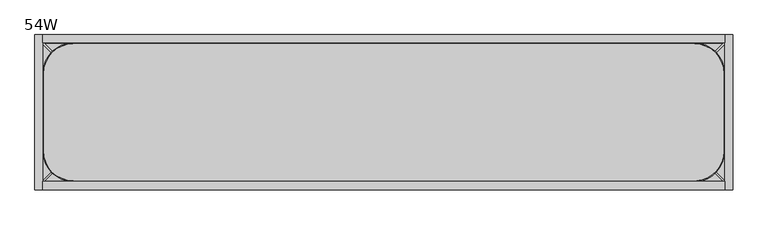
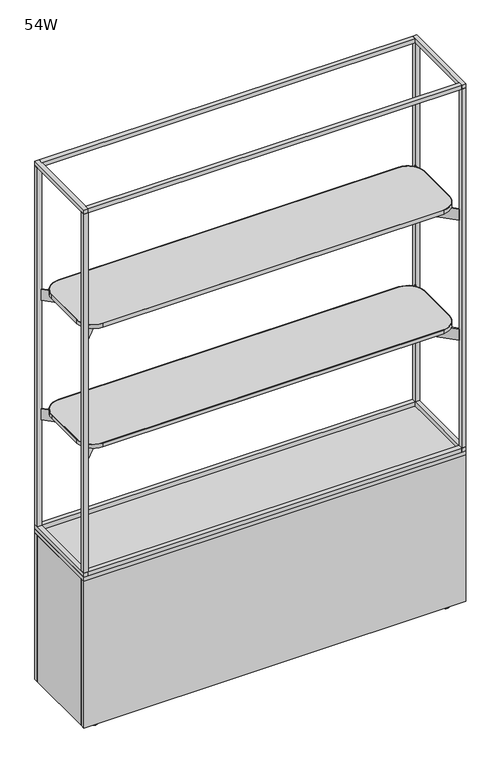
"""IFC4 building model written with IfcOpenShell, lengths in millimetres: furniture geometry, 54W."""

from ifc_helpers import new_model, si_unit, point, frame, frame_2d, origin, place, context, project, spatial, polyline, circle_curve, trimmed, segment, composite_curve, outline, extrude, source, transform, mapped, element, save
from ifc_brep_helpers import plane_surface, cylinder_surface, revolved_surface, advanced_brep


def furniture_54w_8bed0996(model_context):
    return source(origin(), model_context, "Body", "SolidModel", [
        extrude(outline(composite_curve([segment(trimmed(circle_curve(frame_2d((75.8254378, -75.8242865)), 59.944), [point((15.8814378, -75.8242865))], [point((75.8254378, -15.8802865))], False, "CARTESIAN"), True, "CONTINUOUS"), segment(polyline([(75.8254378, -15.8802865), (1295.7745622, -15.8802865)]), True, "CONTINUOUS"), segment(trimmed(circle_curve(frame_2d((1295.7745622, -75.8242865)), 59.944), [point((1295.7745622, -15.8802865))], [point((1355.7185622, -75.8242865))], False, "CARTESIAN"), True, "CONTINUOUS"), segment(polyline([(1355.7185622, -75.8242865), (1355.7185622, -229.1877994)]), True, "CONTINUOUS"), segment(trimmed(circle_curve(frame_2d((1295.7745622, -229.1877994)), 59.944), [point((1355.7185622, -229.1877994))], [point((1300.8138969, -288.9196021))], False, "CARTESIAN"), True, "CONTINUOUS"), segment(polyline([(1300.8138969, -288.9196021), (75.9054892, -288.9196021)]), True, "CONTINUOUS"), segment(trimmed(circle_curve(frame_2d((75.9054892, -228.8955507)), 60.0240513), [point((75.9054892, -288.9196021))], [point((15.8814378, -228.8955507))], False, "CARTESIAN"), True, "CONTINUOUS"), segment(polyline([(15.8814378, -228.8955507), (15.8814378, -75.8242865)]), True, "CONTINUOUS")], self_intersect=False), holes=[composite_curve([segment(polyline([(1295.8050916, -17.3811918), (75.7950053, -17.3811918)]), True, "CONTINUOUS"), segment(trimmed(circle_curve(frame_2d((75.7950053, -75.8011918)), 58.42), [point((75.7950053, -17.3811918))], [point((17.3750053, -75.8011918))], True, "CARTESIAN"), True, "CONTINUOUS"), segment(polyline([(17.3750053, -75.8011918), (17.3750053, -228.9211866)]), True, "CONTINUOUS"), segment(trimmed(circle_curve(frame_2d((75.8750567, -228.9211866)), 58.5000513), [point((17.3750053, -228.9211866))], [point((75.8827762, -287.4212374))], True, "CARTESIAN"), True, "CONTINUOUS"), segment(polyline([(75.8827762, -287.4212374), (1300.4701856, -287.4212374)]), True, "CONTINUOUS"), segment(trimmed(circle_curve(frame_2d((1295.8050916, -229.1877994)), 58.42), [point((1300.4701856, -287.4212374))], [point((1354.2250916, -229.1877994))], True, "CARTESIAN"), True, "CONTINUOUS"), segment(polyline([(1354.2250916, -229.1877994), (1354.2250916, -75.8011918)]), True, "CONTINUOUS"), segment(trimmed(circle_curve(frame_2d((1295.8050916, -75.8011918)), 58.42), [point((1354.2250916, -75.8011918))], [point((1295.8050916, -17.3811918))], True, "CARTESIAN"), True, "CONTINUOUS")], self_intersect=False)]), frame((0.0, 0.0, 1504.6380035), z_axis=(0.0, 0.0, 1.0), x_axis=(1.0, 0.0, 0.0)), (0.0, 0.0, 1.0), 13.8177612),
        extrude(outline(polyline([(-161.9665934, 1498.3383551), (-143.317536, 1498.3383551), (-143.317536, 1495.9705532), (-144.4220029, 1494.8660863), (-160.8082501, 1494.8660863), (-161.9665934, 1496.0244297), (-161.9665934, 1498.3383551)])), frame((185.6954716, 0.0, 0.0), z_axis=(1.0, 0.0, 0.0), x_axis=(0.0, 1.0, 0.0)), (0.0, 0.0, 1.0), 1000.2090567),
        extrude(outline(polyline([(-177.0817057, 1504.2068283), (-128.2024237, 1504.2068283), (-128.2024237, 1500.5035098), (-135.8974528, 1496.5826966), (-143.317536, 1494.5944913), (-143.317536, 1498.3383551), (-161.9665934, 1498.3383551), (-161.9665934, 1494.5944913), (-169.3866765, 1496.5826966), (-177.0817057, 1500.5035098), (-177.0817057, 1504.2068283)])), frame((185.6954716, 0.0, 0.0), z_axis=(1.0, 0.0, 0.0), x_axis=(0.0, 1.0, 0.0)), (0.0, 0.0, 1.0), 1000.2090567),
        extrude(outline(polyline([(-161.9665934, 1044.3133551), (-143.317536, 1044.3133551), (-143.317536, 1041.9455532), (-144.4220029, 1040.8410863), (-160.8082501, 1040.8410863), (-161.9665934, 1041.9994297), (-161.9665934, 1044.3133551)])), frame((185.6954716, 0.0, 0.0), z_axis=(1.0, 0.0, 0.0), x_axis=(0.0, 1.0, 0.0)), (0.0, 0.0, 1.0), 1000.2090567),
        extrude(outline(polyline([(-177.0817057, 1050.1818283), (-128.2024237, 1050.1818283), (-128.2024237, 1046.4785098), (-135.8974528, 1042.5576966), (-143.317536, 1040.5694913), (-143.317536, 1044.3133551), (-161.9665934, 1044.3133551), (-161.9665934, 1040.5694913), (-169.3866765, 1042.5576966), (-177.0817057, 1046.4785098), (-177.0817057, 1050.1818283)])), frame((185.6954716, 0.0, 0.0), z_axis=(1.0, 0.0, 0.0), x_axis=(0.0, 1.0, 0.0)), (0.0, 0.0, 1.0), 1000.2090567),
        extrude(outline(composite_curve([segment(trimmed(circle_curve(frame_2d((1295.8050916, -75.8011918)), 58.42), [point((1295.8050916, -17.3811918))], [point((1354.2250916, -75.8011918))], False, "CARTESIAN"), True, "CONTINUOUS"), segment(polyline([(1354.2250916, -75.8011918), (1354.2250916, -229.1877994)]), True, "CONTINUOUS"), segment(trimmed(circle_curve(frame_2d((1295.8050916, -229.1877994)), 58.42), [point((1354.2250916, -229.1877994))], [point((1300.4701856, -287.4212374))], False, "CARTESIAN"), True, "CONTINUOUS"), segment(polyline([(1300.4701856, -287.4212374), (75.8827762, -287.4212374)]), True, "CONTINUOUS"), segment(trimmed(circle_curve(frame_2d((75.8750567, -228.9211866)), 58.5000513), [point((75.8827762, -287.4212374))], [point((17.3750053, -228.9211866))], False, "CARTESIAN"), True, "CONTINUOUS"), segment(polyline([(17.3750053, -228.9211866), (17.3750053, -75.8011918)]), True, "CONTINUOUS"), segment(trimmed(circle_curve(frame_2d((75.7950053, -75.8011918)), 58.42), [point((17.3750053, -75.8011918))], [point((75.7950053, -17.3811918))], False, "CARTESIAN"), True, "CONTINUOUS"), segment(polyline([(75.7950053, -17.3811918), (1295.8050916, -17.3811918)]), True, "CONTINUOUS")], self_intersect=False)), frame((0.0, 0.0, 1504.6380035), z_axis=(0.0, 0.0, 1.0), x_axis=(1.0, 0.0, 0.0)), (0.0, 0.0, 1.0), 13.8177612),
        extrude(outline(composite_curve([segment(trimmed(circle_curve(frame_2d((1295.7745622, -75.8242865)), 59.944), [point((1295.7745622, -15.8802865))], [point((1355.7185622, -75.8242865))], False, "CARTESIAN"), True, "CONTINUOUS"), segment(polyline([(1355.7185622, -75.8242865), (1355.7185622, -229.1877994)]), True, "CONTINUOUS"), segment(trimmed(circle_curve(frame_2d((1295.7745622, -229.1877994)), 59.944), [point((1355.7185622, -229.1877994))], [point((1300.8138969, -288.9196021))], False, "CARTESIAN"), True, "CONTINUOUS"), segment(polyline([(1300.8138969, -288.9196021), (75.9054892, -288.9196021)]), True, "CONTINUOUS"), segment(trimmed(circle_curve(frame_2d((75.9054892, -228.8955507)), 60.0240513), [point((75.9054892, -288.9196021))], [point((15.8814378, -228.8955507))], False, "CARTESIAN"), True, "CONTINUOUS"), segment(polyline([(15.8814378, -228.8955507), (15.8814378, -75.8242865)]), True, "CONTINUOUS"), segment(trimmed(circle_curve(frame_2d((75.8254378, -75.8242865)), 59.944), [point((15.8814378, -75.8242865))], [point((75.8254378, -15.8802865))], False, "CARTESIAN"), True, "CONTINUOUS"), segment(polyline([(75.8254378, -15.8802865), (1295.7745622, -15.8802865)]), True, "CONTINUOUS")], self_intersect=False), holes=[composite_curve([segment(trimmed(circle_curve(frame_2d((75.7950053, -75.8011918)), 58.42), [point((75.7950053, -17.3811918))], [point((17.3750053, -75.8011918))], True, "CARTESIAN"), True, "CONTINUOUS"), segment(polyline([(17.3750053, -75.8011918), (17.3750053, -228.9211866)]), True, "CONTINUOUS"), segment(trimmed(circle_curve(frame_2d((75.8750567, -228.9211866)), 58.5000513), [point((17.3750053, -228.9211866))], [point((75.8827762, -287.4212374))], True, "CARTESIAN"), True, "CONTINUOUS"), segment(polyline([(75.8827762, -287.4212374), (1300.4701856, -287.4212374)]), True, "CONTINUOUS"), segment(trimmed(circle_curve(frame_2d((1295.8050916, -229.1877994)), 58.42), [point((1300.4701856, -287.4212374))], [point((1354.2250916, -229.1877994))], True, "CARTESIAN"), True, "CONTINUOUS"), segment(polyline([(1354.2250916, -229.1877994), (1354.2250916, -75.8011918)]), True, "CONTINUOUS"), segment(trimmed(circle_curve(frame_2d((1295.8050916, -75.8011918)), 58.42), [point((1354.2250916, -75.8011918))], [point((1295.8050916, -17.3811918))], True, "CARTESIAN"), True, "CONTINUOUS"), segment(polyline([(1295.8050916, -17.3811918), (75.7950053, -17.3811918)]), True, "CONTINUOUS")], self_intersect=False)]), frame((0.0, 0.0, 1050.6130035), z_axis=(0.0, 0.0, 1.0), x_axis=(1.0, 0.0, 0.0)), (0.0, 0.0, 1.0), 13.8177612),
        extrude(outline(composite_curve([segment(trimmed(circle_curve(frame_2d((1295.8050916, -75.8011918)), 58.42), [point((1295.8050916, -17.3811918))], [point((1354.2250916, -75.8011918))], False, "CARTESIAN"), True, "CONTINUOUS"), segment(polyline([(1354.2250916, -75.8011918), (1354.2250916, -229.1877994)]), True, "CONTINUOUS"), segment(trimmed(circle_curve(frame_2d((1295.8050916, -229.1877994)), 58.42), [point((1354.2250916, -229.1877994))], [point((1300.4701856, -287.4212374))], False, "CARTESIAN"), True, "CONTINUOUS"), segment(polyline([(1300.4701856, -287.4212374), (75.8827762, -287.4212374)]), True, "CONTINUOUS"), segment(trimmed(circle_curve(frame_2d((75.8750567, -228.9211866)), 58.5000513), [point((75.8827762, -287.4212374))], [point((17.3750053, -228.9211866))], False, "CARTESIAN"), True, "CONTINUOUS"), segment(polyline([(17.3750053, -228.9211866), (17.3750053, -75.8011918)]), True, "CONTINUOUS"), segment(trimmed(circle_curve(frame_2d((75.7950053, -75.8011918)), 58.42), [point((17.3750053, -75.8011918))], [point((75.7950053, -17.3811918))], False, "CARTESIAN"), True, "CONTINUOUS"), segment(polyline([(75.7950053, -17.3811918), (1295.8050916, -17.3811918)]), True, "CONTINUOUS")], self_intersect=False)), frame((0.0, 0.0, 1050.6130035), z_axis=(0.0, 0.0, 1.0), x_axis=(1.0, 0.0, 0.0)), (0.0, 0.0, 1.0), 13.8177612),
        extrude(outline(polyline([(185.6954716, -106.6550188), (185.6954716, -198.1363516), (124.7354716, -198.1363516), (124.7354716, -106.6550188), (185.6954716, -106.6550188)])), frame((0.0, 0.0, 1463.1180573), z_axis=(0.0, 0.0, 1.0), x_axis=(1.0, 0.0, 0.0)), (0.0, 0.0, 1.0), 41.5199463),
        extrude(outline(polyline([(1185.9045284, -106.6550188), (1246.8645284, -106.6550188), (1246.8645284, -198.1363516), (1185.9045284, -198.1363516), (1185.9045284, -106.6550188)])), frame((0.0, 0.0, 1463.1180573), z_axis=(0.0, 0.0, 1.0), x_axis=(1.0, 0.0, 0.0)), (0.0, 0.0, 1.0), 41.5199463),
        extrude(outline(polyline([(185.6954716, -106.6550188), (185.6954716, -198.1363516), (124.7354716, -198.1363516), (124.7354716, -106.6550188), (185.6954716, -106.6550188)])), frame((0.0, 0.0, 1009.0930573), z_axis=(0.0, 0.0, 1.0), x_axis=(1.0, 0.0, 0.0)), (0.0, 0.0, 1.0), 41.5199463),
        extrude(outline(polyline([(1246.8645284, -106.6550188), (1246.8645284, -198.1363516), (1185.9045284, -198.1363516), (1185.9045284, -106.6550188), (1246.8645284, -106.6550188)])), frame((0.0, 0.0, 1009.0930573), z_axis=(0.0, 0.0, 1.0), x_axis=(1.0, 0.0, 0.0)), (0.0, 0.0, 1.0), 41.5199463),
        extrude(outline(composite_curve([segment(polyline([(87.3911774, -89.8157239), (13.4581417, -15.8822522), (15.8765503, -13.4638437), (89.809053, -87.3967582)]), True, "CONTINUOUS"), segment(trimmed(circle_curve(frame_2d((128.3291811, -48.8768447)), 54.4755358), [point((89.809053, -87.3967582))], [point((124.7354716, -103.2337141))], True, "CARTESIAN"), True, "CONTINUOUS"), segment(polyline([(124.7354716, -103.2337141), (1246.8645284, -103.2337141)]), True, "CONTINUOUS"), segment(trimmed(circle_curve(frame_2d((1243.2853714, -48.8831384)), 54.4682976), [point((1246.8645284, -103.2337141))], [point((1281.8002487, -87.3980663))], True, "CARTESIAN"), True, "CONTINUOUS"), segment(polyline([(1281.8002487, -87.3980663), (1355.733139, -13.4652728), (1358.1515597, -15.8836935), (1284.2181244, -89.817032)]), True, "CONTINUOUS"), segment(trimmed(circle_curve(frame_2d((1246.8645284, -56.8031881)), 49.8518307), [point((1284.2181244, -89.817032))], [point((1246.8645284, -106.6550188))], False, "CARTESIAN"), True, "CONTINUOUS"), segment(polyline([(1246.8645284, -106.6550188), (124.7354716, -106.6550188)]), True, "CONTINUOUS"), segment(trimmed(circle_curve(frame_2d((124.7354716, -56.8263835)), 49.8286353), [point((124.7354716, -106.6550188))], [point((87.3911774, -89.8157239))], False, "CARTESIAN"), True, "CONTINUOUS")], self_intersect=False)), frame((0.0, 0.0, 1463.1180573), z_axis=(0.0, 0.0, 1.0), x_axis=(1.0, 0.0, 0.0)), (0.0, 0.0, 1.0), 41.5199463),
        extrude(outline(composite_curve([segment(trimmed(circle_curve(frame_2d((1243.2695146, -255.9344745)), 57.909819), [point((1246.8645284, -198.1363516))], [point((1284.2180275, -214.986136))], False, "CARTESIAN"), True, "CONTINUOUS"), segment(polyline([(1284.2180275, -214.986136), (1358.1448135, -288.9132369), (1355.726405, -291.3316455), (1281.8001518, -217.4051017)]), True, "CONTINUOUS"), segment(trimmed(circle_curve(frame_2d((1246.8645284, -248.0197355)), 46.4516263), [point((1281.8001518, -217.4051017))], [point((1246.8645284, -201.5681092))], True, "CARTESIAN"), True, "CONTINUOUS"), segment(polyline([(1246.8645284, -201.5681092), (124.7354716, -201.5681092)]), True, "CONTINUOUS"), segment(trimmed(circle_curve(frame_2d((128.3250754, -255.9203711)), 54.4706676), [point((124.7354716, -201.5681092))], [point((89.8084717, -217.4038179))], True, "CARTESIAN"), True, "CONTINUOUS"), segment(polyline([(89.8084717, -217.4038179), (15.8821217, -291.3302648), (13.4637131, -288.9118562), (87.390596, -214.9848279)]), True, "CONTINUOUS"), segment(trimmed(circle_curve(frame_2d((124.7354716, -247.9483006)), 49.8119491), [point((87.390596, -214.9848279))], [point((124.7354716, -198.1363516))], False, "CARTESIAN"), True, "CONTINUOUS"), segment(polyline([(124.7354716, -198.1363516), (1246.8645284, -198.1363516)]), True, "CONTINUOUS")], self_intersect=False)), frame((0.0, 0.0, 1463.1180573), z_axis=(0.0, 0.0, 1.0), x_axis=(1.0, 0.0, 0.0)), (0.0, 0.0, 1.0), 41.5199463),
        extrude(outline(composite_curve([segment(polyline([(87.3911774, -89.8157239), (13.4581417, -15.8822522), (15.8765503, -13.4638437), (89.809053, -87.3967582)]), True, "CONTINUOUS"), segment(trimmed(circle_curve(frame_2d((128.3291811, -48.8768447)), 54.4755358), [point((89.809053, -87.3967582))], [point((124.7354716, -103.2337141))], True, "CARTESIAN"), True, "CONTINUOUS"), segment(polyline([(124.7354716, -103.2337141), (1246.8645284, -103.2337141)]), True, "CONTINUOUS"), segment(trimmed(circle_curve(frame_2d((1243.2853714, -48.8831384)), 54.4682976), [point((1246.8645284, -103.2337141))], [point((1281.8002487, -87.3980663))], True, "CARTESIAN"), True, "CONTINUOUS"), segment(polyline([(1281.8002487, -87.3980663), (1355.733139, -13.4652728), (1358.1515597, -15.8836935), (1284.2181244, -89.817032)]), True, "CONTINUOUS"), segment(trimmed(circle_curve(frame_2d((1246.8645284, -56.8031881)), 49.8518307), [point((1284.2181244, -89.817032))], [point((1246.8645284, -106.6550188))], False, "CARTESIAN"), True, "CONTINUOUS"), segment(polyline([(1246.8645284, -106.6550188), (124.7354716, -106.6550188)]), True, "CONTINUOUS"), segment(trimmed(circle_curve(frame_2d((124.7354716, -56.8263835)), 49.8286353), [point((124.7354716, -106.6550188))], [point((87.3911774, -89.8157239))], False, "CARTESIAN"), True, "CONTINUOUS")], self_intersect=False)), frame((0.0, 0.0, 1009.0930573), z_axis=(0.0, 0.0, 1.0), x_axis=(1.0, 0.0, 0.0)), (0.0, 0.0, 1.0), 41.5199463),
        extrude(outline(composite_curve([segment(trimmed(circle_curve(frame_2d((1243.2695146, -255.9344745)), 57.909819), [point((1246.8645284, -198.1363516))], [point((1284.2180275, -214.986136))], False, "CARTESIAN"), True, "CONTINUOUS"), segment(polyline([(1284.2180275, -214.986136), (1358.1448135, -288.9132369), (1355.726405, -291.3316455), (1281.8001518, -217.4051017)]), True, "CONTINUOUS"), segment(trimmed(circle_curve(frame_2d((1246.8645284, -248.0197355)), 46.4516263), [point((1281.8001518, -217.4051017))], [point((1246.8645284, -201.5681092))], True, "CARTESIAN"), True, "CONTINUOUS"), segment(polyline([(1246.8645284, -201.5681092), (124.7354716, -201.5681092)]), True, "CONTINUOUS"), segment(trimmed(circle_curve(frame_2d((128.3250754, -255.9203711)), 54.4706676), [point((124.7354716, -201.5681092))], [point((89.8084717, -217.4038179))], True, "CARTESIAN"), True, "CONTINUOUS"), segment(polyline([(89.8084717, -217.4038179), (15.8821217, -291.3302648), (13.4637131, -288.9118562), (87.390596, -214.9848279)]), True, "CONTINUOUS"), segment(trimmed(circle_curve(frame_2d((124.7354716, -247.9483006)), 49.8119491), [point((87.390596, -214.9848279))], [point((124.7354716, -198.1363516))], False, "CARTESIAN"), True, "CONTINUOUS"), segment(polyline([(124.7354716, -198.1363516), (1246.8645284, -198.1363516)]), True, "CONTINUOUS")], self_intersect=False)), frame((0.0, 0.0, 1009.0930573), z_axis=(0.0, 0.0, 1.0), x_axis=(1.0, 0.0, 0.0)), (0.0, 0.0, 1.0), 41.5199463),
        extrude(outline(polyline([(1355.7185622, 0.0), (1355.7185622, -15.8802865), (15.8814378, -15.8802865), (15.8814378, 0.0), (1355.7185622, 0.0)])), frame((0.0, 0.0, 1969.4305479), z_axis=(0.0, 0.0, 1.0), x_axis=(1.0, 0.0, 0.0)), (0.0, 0.0, 1.0), 15.3798752),
        extrude(outline(polyline([(1355.7185622, -288.9196021), (1355.7185622, -304.8), (15.8814378, -304.8), (15.8814378, -288.9196021), (1355.7185622, -288.9196021)])), frame((0.0, 0.0, 1969.4305479), z_axis=(0.0, 0.0, 1.0), x_axis=(1.0, 0.0, 0.0)), (0.0, 0.0, 1.0), 15.3798752),
        extrude(outline(polyline([(1355.7185622, 0.0), (1355.7185622, -15.8802865), (15.8814378, -15.8802865), (15.8814378, 0.0), (1355.7185622, 0.0)])), frame((0.0, 0.0, 591.366423), z_axis=(0.0, 0.0, 1.0), x_axis=(1.0, 0.0, 0.0)), (0.0, 0.0, 1.0), 15.8800385),
        extrude(outline(polyline([(1355.7185622, -288.9196021), (1355.7185622, -304.8), (15.8814378, -304.8), (15.8814378, -288.9196021), (1355.7185622, -288.9196021)])), frame((0.0, 0.0, 591.366423), z_axis=(0.0, 0.0, 1.0), x_axis=(1.0, 0.0, 0.0)), (0.0, 0.0, 1.0), 15.8800385),
        extrude(outline(polyline([(15.8814378, 0.0), (15.8814378, -15.8802865), (0.0, -15.8802865), (0.0, 0.0), (15.8814378, 0.0)])), frame((0.0, 0.0, 607.2464615), z_axis=(0.0, 0.0, 1.0), x_axis=(1.0, 0.0, 0.0)), (0.0, 0.0, 1.0), 1362.1840864),
        extrude(outline(polyline([(15.8814378, -304.8), (0.0, -304.8), (0.0, -288.9196021), (15.8814378, -288.9196021), (15.8814378, -304.8)])), frame((0.0, 0.0, 607.2464615), z_axis=(0.0, 0.0, 1.0), x_axis=(1.0, 0.0, 0.0)), (0.0, 0.0, 1.0), 1362.1840864),
        extrude(outline(polyline([(1355.7185622, -304.8), (1355.7185622, -288.9196021), (1371.6, -288.9196021), (1371.6, -304.8), (1355.7185622, -304.8)])), frame((0.0, 0.0, 607.2464615), z_axis=(0.0, 0.0, 1.0), x_axis=(1.0, 0.0, 0.0)), (0.0, 0.0, 1.0), 1362.1840864),
        extrude(outline(polyline([(1371.6, 0.0), (1371.6, -15.8802865), (1355.7185622, -15.8802865), (1355.7185622, 0.0), (1371.6, 0.0)])), frame((0.0, 0.0, 607.2464615), z_axis=(0.0, 0.0, 1.0), x_axis=(1.0, 0.0, 0.0)), (0.0, 0.0, 1.0), 1362.1840864),
        extrude(outline(polyline([(15.8814378, 0.0), (15.8814378, -304.8), (0.0, -304.8), (0.0, 0.0), (15.8814378, 0.0)])), frame((0.0, 0.0, 1969.4305479), z_axis=(0.0, 0.0, 1.0), x_axis=(1.0, 0.0, 0.0)), (0.0, 0.0, 1.0), 15.3798752),
        extrude(outline(polyline([(1371.6, 0.0), (1371.6, -304.8), (1355.7185622, -304.8), (1355.7185622, 0.0), (1371.6, 0.0)])), frame((0.0, 0.0, 1969.4305479), z_axis=(0.0, 0.0, 1.0), x_axis=(1.0, 0.0, 0.0)), (0.0, 0.0, 1.0), 15.3798752),
        extrude(outline(polyline([(15.8814378, 0.0), (15.8814378, -304.8), (0.0, -304.8), (0.0, 0.0), (15.8814378, 0.0)])), frame((0.0, 0.0, 591.366423), z_axis=(0.0, 0.0, 1.0), x_axis=(1.0, 0.0, 0.0)), (0.0, 0.0, 1.0), 15.8800385),
        extrude(outline(polyline([(1371.6, 0.0), (1371.6, -304.8), (1355.7185622, -304.8), (1355.7185622, 0.0), (1371.6, 0.0)])), frame((0.0, 0.0, 591.366423), z_axis=(0.0, 0.0, 1.0), x_axis=(1.0, 0.0, 0.0)), (0.0, 0.0, 1.0), 15.8800385),
        advanced_brep(
        [(1304.4272617, -271.5259334, 0.0), (1329.8491543, -271.5259334, 0.0), (1317.138208, -271.5259334, 0.0), (1317.138208, -271.5259334, 19.3136951), (1321.1127534, -271.5259334, 19.3136951), (1313.1636626, -271.5259334, 19.3136951), (1321.1127534, -271.5259334, 17.5685649), (1313.1636626, -271.5259334, 17.5685649), (1322.6118035, -271.5259334, 14.972134), (1311.6646125, -271.5259334, 14.972134), (1325.1357304, -271.5259334, 14.0032892), (1309.1406856, -271.5259334, 14.0032892), (1325.1357304, -271.5259334, 10.3232424), (1309.1406856, -271.5259334, 10.3232424), (1324.1964898, -271.5259334, 10.3232424), (1310.0799262, -271.5259334, 10.3232424), (1324.1964898, -271.5259334, 8.9619405), (1310.0799262, -271.5259334, 8.9619405), (1332.2002193, -271.5259334, 3.3576688), (1302.0761967, -271.5259334, 3.3576688)],
        [
            (0, 1, circle_curve(frame((1317.138208, -271.5259334, 0.0), z_axis=(0.0, 0.0, -1.0), x_axis=(1.0, 0.0, 0.0)), 12.7109463)),
            (1, 2),
            (2, 0),
            (1, 0, circle_curve(frame((1317.138208, -271.5259334, 0.0), z_axis=(0.0, 0.0, -1.0), x_axis=(1.0, 0.0, 0.0)), 12.7109463)),
            (3, 4),
            (4, 5, circle_curve(frame((1317.138208, -271.5259334, 19.3136951), z_axis=(0.0, 0.0, 1.0), x_axis=(1.0, 0.0, 0.0)), 3.9745454)),
            (5, 3),
            (5, 4, circle_curve(frame((1317.138208, -271.5259334, 19.3136951), z_axis=(0.0, 0.0, 1.0), x_axis=(1.0, 0.0, 0.0)), 3.9745454)),
            (4, 6),
            (6, 7, circle_curve(frame((1317.138208, -271.5259334, 17.5685649), z_axis=(0.0, 0.0, 1.0), x_axis=(1.0, 0.0, 0.0)), 3.9745454)),
            (7, 5),
            (7, 6, circle_curve(frame((1317.138208, -271.5259334, 17.5685649), z_axis=(0.0, 0.0, 1.0), x_axis=(1.0, 0.0, 0.0)), 3.9745454)),
            (6, 8),
            (8, 9, circle_curve(frame((1317.138208, -271.5259334, 14.972134), z_axis=(0.0, 0.0, 1.0), x_axis=(1.0, 0.0, 0.0)), 5.4735955)),
            (9, 7),
            (9, 8, circle_curve(frame((1317.138208, -271.5259334, 14.972134), z_axis=(0.0, 0.0, 1.0), x_axis=(1.0, 0.0, 0.0)), 5.4735955)),
            (8, 10),
            (10, 11, circle_curve(frame((1317.138208, -271.5259334, 14.0032892), z_axis=(0.0, 0.0, 1.0), x_axis=(1.0, 0.0, 0.0)), 7.9975224)),
            (11, 9),
            (11, 10, circle_curve(frame((1317.138208, -271.5259334, 14.0032892), z_axis=(0.0, 0.0, 1.0), x_axis=(1.0, 0.0, 0.0)), 7.9975224)),
            (10, 12),
            (12, 13, circle_curve(frame((1317.138208, -271.5259334, 10.3232424), z_axis=(0.0, 0.0, 1.0), x_axis=(1.0, 0.0, 0.0)), 7.9975224)),
            (13, 11),
            (13, 12, circle_curve(frame((1317.138208, -271.5259334, 10.3232424), z_axis=(0.0, 0.0, 1.0), x_axis=(1.0, 0.0, 0.0)), 7.9975224)),
            (12, 14),
            (14, 15, circle_curve(frame((1317.138208, -271.5259334, 10.3232424), z_axis=(0.0, 0.0, 1.0), x_axis=(1.0, 0.0, 0.0)), 7.0582818)),
            (15, 13),
            (15, 14, circle_curve(frame((1317.138208, -271.5259334, 10.3232424), z_axis=(0.0, 0.0, 1.0), x_axis=(1.0, 0.0, 0.0)), 7.0582818)),
            (14, 16),
            (16, 17, circle_curve(frame((1317.138208, -271.5259334, 8.9619405), z_axis=(0.0, 0.0, 1.0), x_axis=(1.0, 0.0, 0.0)), 7.0582818)),
            (17, 15),
            (17, 16, circle_curve(frame((1317.138208, -271.5259334, 8.9619405), z_axis=(0.0, 0.0, 1.0), x_axis=(1.0, 0.0, 0.0)), 7.0582818)),
            (16, 18),
            (18, 19, circle_curve(frame((1317.138208, -271.5259334, 3.3576688), z_axis=(0.0, 0.0, 1.0), x_axis=(1.0, 0.0, 0.0)), 15.0620113)),
            (19, 17),
            (19, 18, circle_curve(frame((1317.138208, -271.5259334, 3.3576688), z_axis=(0.0, 0.0, 1.0), x_axis=(1.0, 0.0, 0.0)), 15.0620113)),
            (18, 1),
            (0, 19),
        ],
        [
            plane_surface(frame((1317.138208, -271.5259334, 0.0), z_axis=(0.0, 0.0, -1.0), x_axis=(1.0, 0.0, 0.0))),
            plane_surface(frame((1317.138208, -271.5259334, 19.3136951), z_axis=(0.0, 0.0, 1.0), x_axis=(1.0, 0.0, 0.0))),
            cylinder_surface(frame((1317.138208, -271.5259334, -304.8), z_axis=(0.0, 0.0, 1.0), x_axis=(1.0, 0.0, 0.0)), 3.9745454),
            revolved_surface(polyline([(1322.6118035, -271.5259334, 14.972134), (1321.1127534, -271.5259334, 17.5685649)]), (1317.138208, -271.5259334, -304.8), (0.0, 0.0, 1.0)),
            revolved_surface(polyline([(1325.1357304, -271.5259334, 14.0032892), (1322.6118035, -271.5259334, 14.972134)]), (1317.138208, -271.5259334, -304.8), (0.0, 0.0, 1.0)),
            cylinder_surface(frame((1317.138208, -271.5259334, -304.8), z_axis=(0.0, 0.0, 1.0), x_axis=(1.0, 0.0, 0.0)), 7.9975224),
            plane_surface(frame((1317.138208, -271.5259334, 10.3232424), z_axis=(0.0, 0.0, -1.0), x_axis=(1.0, 0.0, 0.0))),
            cylinder_surface(frame((1317.138208, -271.5259334, -304.8), z_axis=(0.0, 0.0, 1.0), x_axis=(1.0, 0.0, 0.0)), 7.0582818),
            revolved_surface(polyline([(1332.2002193, -271.5259334, 3.3576688), (1324.1964898, -271.5259334, 8.9619405)]), (1317.138208, -271.5259334, -304.8), (0.0, 0.0, 1.0)),
            revolved_surface(polyline([(1329.8491543, -271.5259334, 0.0), (1332.2002193, -271.5259334, 3.3576688)]), (1317.138208, -271.5259334, -304.8), (0.0, 0.0, 1.0)),
        ],
        [
            (0, [[1, 2, 3]]),
            (0, [[4, -3, -2]]),
            (1, [[5, 6, 7]]),
            (1, [[-7, 8, -5]]),
            (2, [[-6, 9, 10, 11]]),
            (2, [[-8, -11, 12, -9]]),
            (3, [[-10, 13, 14, 15]]),
            (3, [[-12, -15, 16, -13]]),
            (4, [[-14, 17, 18, 19]]),
            (4, [[-16, -19, 20, -17]]),
            (5, [[-18, 21, 22, 23]]),
            (5, [[-20, -23, 24, -21]]),
            (6, [[-22, 25, 26, 27]]),
            (6, [[-24, -27, 28, -25]]),
            (7, [[-26, 29, 30, 31]]),
            (7, [[-28, -31, 32, -29]]),
            (8, [[-30, 33, 34, 35]]),
            (8, [[-32, -35, 36, -33]]),
            (9, [[-34, 37, -1, 38]]),
            (9, [[-36, -38, -4, -37]]),
        ],
    ),
        advanced_brep(
        [(1304.4272617, -33.2572239, 0.0), (1329.8491543, -33.2572239, 0.0), (1317.138208, -33.2572239, 0.0), (1317.138208, -33.2572239, 19.3136951), (1321.1127534, -33.2572239, 19.3136951), (1313.1636626, -33.2572239, 19.3136951), (1321.1127534, -33.2572239, 17.5685649), (1313.1636626, -33.2572239, 17.5685649), (1322.6118035, -33.2572239, 14.972134), (1311.6646125, -33.2572239, 14.972134), (1325.1357304, -33.2572239, 14.0032892), (1309.1406856, -33.2572239, 14.0032892), (1325.1357304, -33.2572239, 10.3232424), (1309.1406856, -33.2572239, 10.3232424), (1324.1964898, -33.2572239, 10.3232424), (1310.0799262, -33.2572239, 10.3232424), (1324.1964898, -33.2572239, 8.9619405), (1310.0799262, -33.2572239, 8.9619405), (1332.2002193, -33.2572239, 3.3576688), (1302.0761967, -33.2572239, 3.3576688)],
        [
            (0, 1, circle_curve(frame((1317.138208, -33.2572239, 0.0), z_axis=(0.0, 0.0, -1.0), x_axis=(1.0, 0.0, 0.0)), 12.7109463)),
            (1, 2),
            (2, 0),
            (1, 0, circle_curve(frame((1317.138208, -33.2572239, 0.0), z_axis=(0.0, 0.0, -1.0), x_axis=(1.0, 0.0, 0.0)), 12.7109463)),
            (3, 4),
            (4, 5, circle_curve(frame((1317.138208, -33.2572239, 19.3136951), z_axis=(0.0, 0.0, 1.0), x_axis=(1.0, 0.0, 0.0)), 3.9745454)),
            (5, 3),
            (5, 4, circle_curve(frame((1317.138208, -33.2572239, 19.3136951), z_axis=(0.0, 0.0, 1.0), x_axis=(1.0, 0.0, 0.0)), 3.9745454)),
            (4, 6),
            (6, 7, circle_curve(frame((1317.138208, -33.2572239, 17.5685649), z_axis=(0.0, 0.0, 1.0), x_axis=(1.0, 0.0, 0.0)), 3.9745454)),
            (7, 5),
            (7, 6, circle_curve(frame((1317.138208, -33.2572239, 17.5685649), z_axis=(0.0, 0.0, 1.0), x_axis=(1.0, 0.0, 0.0)), 3.9745454)),
            (6, 8),
            (8, 9, circle_curve(frame((1317.138208, -33.2572239, 14.972134), z_axis=(0.0, 0.0, 1.0), x_axis=(1.0, 0.0, 0.0)), 5.4735955)),
            (9, 7),
            (9, 8, circle_curve(frame((1317.138208, -33.2572239, 14.972134), z_axis=(0.0, 0.0, 1.0), x_axis=(1.0, 0.0, 0.0)), 5.4735955)),
            (8, 10),
            (10, 11, circle_curve(frame((1317.138208, -33.2572239, 14.0032892), z_axis=(0.0, 0.0, 1.0), x_axis=(1.0, 0.0, 0.0)), 7.9975224)),
            (11, 9),
            (11, 10, circle_curve(frame((1317.138208, -33.2572239, 14.0032892), z_axis=(0.0, 0.0, 1.0), x_axis=(1.0, 0.0, 0.0)), 7.9975224)),
            (10, 12),
            (12, 13, circle_curve(frame((1317.138208, -33.2572239, 10.3232424), z_axis=(0.0, 0.0, 1.0), x_axis=(1.0, 0.0, 0.0)), 7.9975224)),
            (13, 11),
            (13, 12, circle_curve(frame((1317.138208, -33.2572239, 10.3232424), z_axis=(0.0, 0.0, 1.0), x_axis=(1.0, 0.0, 0.0)), 7.9975224)),
            (12, 14),
            (14, 15, circle_curve(frame((1317.138208, -33.2572239, 10.3232424), z_axis=(0.0, 0.0, 1.0), x_axis=(1.0, 0.0, 0.0)), 7.0582818)),
            (15, 13),
            (15, 14, circle_curve(frame((1317.138208, -33.2572239, 10.3232424), z_axis=(0.0, 0.0, 1.0), x_axis=(1.0, 0.0, 0.0)), 7.0582818)),
            (14, 16),
            (16, 17, circle_curve(frame((1317.138208, -33.2572239, 8.9619405), z_axis=(0.0, 0.0, 1.0), x_axis=(1.0, 0.0, 0.0)), 7.0582818)),
            (17, 15),
            (17, 16, circle_curve(frame((1317.138208, -33.2572239, 8.9619405), z_axis=(0.0, 0.0, 1.0), x_axis=(1.0, 0.0, 0.0)), 7.0582818)),
            (16, 18),
            (18, 19, circle_curve(frame((1317.138208, -33.2572239, 3.3576688), z_axis=(0.0, 0.0, 1.0), x_axis=(1.0, 0.0, 0.0)), 15.0620113)),
            (19, 17),
            (19, 18, circle_curve(frame((1317.138208, -33.2572239, 3.3576688), z_axis=(0.0, 0.0, 1.0), x_axis=(1.0, 0.0, 0.0)), 15.0620113)),
            (18, 1),
            (0, 19),
        ],
        [
            plane_surface(frame((1317.138208, -33.2572239, 0.0), z_axis=(0.0, 0.0, -1.0), x_axis=(1.0, 0.0, 0.0))),
            plane_surface(frame((1317.138208, -33.2572239, 19.3136951), z_axis=(0.0, 0.0, 1.0), x_axis=(1.0, 0.0, 0.0))),
            cylinder_surface(frame((1317.138208, -33.2572239, -304.8), z_axis=(0.0, 0.0, 1.0), x_axis=(1.0, 0.0, 0.0)), 3.9745454),
            revolved_surface(polyline([(1322.6118035, -33.2572239, 14.972134), (1321.1127534, -33.2572239, 17.5685649)]), (1317.138208, -33.2572239, -304.8), (0.0, 0.0, 1.0)),
            revolved_surface(polyline([(1325.1357304, -33.2572239, 14.0032892), (1322.6118035, -33.2572239, 14.972134)]), (1317.138208, -33.2572239, -304.8), (0.0, 0.0, 1.0)),
            cylinder_surface(frame((1317.138208, -33.2572239, -304.8), z_axis=(0.0, 0.0, 1.0), x_axis=(1.0, 0.0, 0.0)), 7.9975224),
            plane_surface(frame((1317.138208, -33.2572239, 10.3232424), z_axis=(0.0, 0.0, -1.0), x_axis=(1.0, 0.0, 0.0))),
            cylinder_surface(frame((1317.138208, -33.2572239, -304.8), z_axis=(0.0, 0.0, 1.0), x_axis=(1.0, 0.0, 0.0)), 7.0582818),
            revolved_surface(polyline([(1332.2002193, -33.2572239, 3.3576688), (1324.1964898, -33.2572239, 8.9619405)]), (1317.138208, -33.2572239, -304.8), (0.0, 0.0, 1.0)),
            revolved_surface(polyline([(1329.8491543, -33.2572239, 0.0), (1332.2002193, -33.2572239, 3.3576688)]), (1317.138208, -33.2572239, -304.8), (0.0, 0.0, 1.0)),
        ],
        [
            (0, [[1, 2, 3]]),
            (0, [[4, -3, -2]]),
            (1, [[5, 6, 7]]),
            (1, [[-7, 8, -5]]),
            (2, [[-6, 9, 10, 11]]),
            (2, [[-8, -11, 12, -9]]),
            (3, [[-10, 13, 14, 15]]),
            (3, [[-12, -15, 16, -13]]),
            (4, [[-14, 17, 18, 19]]),
            (4, [[-16, -19, 20, -17]]),
            (5, [[-18, 21, 22, 23]]),
            (5, [[-20, -23, 24, -21]]),
            (6, [[-22, 25, 26, 27]]),
            (6, [[-24, -27, 28, -25]]),
            (7, [[-26, 29, 30, 31]]),
            (7, [[-28, -31, 32, -29]]),
            (8, [[-30, 33, 34, 35]]),
            (8, [[-32, -35, 36, -33]]),
            (9, [[-34, 37, -1, 38]]),
            (9, [[-36, -38, -4, -37]]),
        ],
    ),
        advanced_brep(
        [(67.1725886, -272.2343697, 0.0), (41.7506961, -272.23434, 0.0), (54.4616423, -272.2343548, 0.0), (54.4616423, -272.2343548, 19.3136951), (50.4870969, -272.2343502, 19.3136951), (58.4361878, -272.2343595, 19.3136951), (50.4870969, -272.2343502, 17.5685649), (58.4361878, -272.2343595, 17.5685649), (48.9880468, -272.2343485, 14.972134), (59.9352379, -272.2343612, 14.972134), (46.46412, -272.2343455, 14.0032892), (62.4591647, -272.2343642, 14.0032892), (46.46412, -272.2343455, 10.3232424), (62.4591647, -272.2343642, 10.3232424), (47.4033606, -272.2343466, 10.3232424), (61.5199241, -272.2343631, 10.3232424), (47.4033606, -272.2343466, 8.9619405), (61.5199241, -272.2343631, 8.9619405), (39.3996311, -272.2343373, 3.3576688), (69.5236536, -272.2343724, 3.3576688)],
        [
            (0, 1, circle_curve(frame((54.4616423, -272.2343548, 0.0), z_axis=(0.0, 0.0, -1.0), x_axis=(-0.999999999999319, 1.1670755062646865e-06, 0.0)), 12.7109463)),
            (1, 2),
            (2, 0),
            (1, 0, circle_curve(frame((54.4616423, -272.2343548, 0.0), z_axis=(0.0, 0.0, -1.0), x_axis=(-0.999999999999319, 1.1670755062646865e-06, 0.0)), 12.7109463)),
            (3, 4),
            (4, 5, circle_curve(frame((54.4616423, -272.2343548, 19.3136951), z_axis=(0.0, 0.0, 1.0), x_axis=(-0.999999999999319, 1.1670755062646865e-06, 0.0)), 3.9745454)),
            (5, 3),
            (5, 4, circle_curve(frame((54.4616423, -272.2343548, 19.3136951), z_axis=(0.0, 0.0, 1.0), x_axis=(-0.999999999999319, 1.1670755062646865e-06, 0.0)), 3.9745454)),
            (4, 6),
            (6, 7, circle_curve(frame((54.4616423, -272.2343548, 17.5685649), z_axis=(0.0, 0.0, 1.0), x_axis=(-0.999999999999319, 1.1670755062646865e-06, 0.0)), 3.9745454)),
            (7, 5),
            (7, 6, circle_curve(frame((54.4616423, -272.2343548, 17.5685649), z_axis=(0.0, 0.0, 1.0), x_axis=(-0.999999999999319, 1.1670755062646865e-06, 0.0)), 3.9745454)),
            (6, 8),
            (8, 9, circle_curve(frame((54.4616423, -272.2343548, 14.972134), z_axis=(0.0, 0.0, 1.0), x_axis=(-0.999999999999319, 1.1670755062646865e-06, 0.0)), 5.4735955)),
            (9, 7),
            (9, 8, circle_curve(frame((54.4616423, -272.2343548, 14.972134), z_axis=(0.0, 0.0, 1.0), x_axis=(-0.999999999999319, 1.1670755062646865e-06, 0.0)), 5.4735955)),
            (8, 10),
            (10, 11, circle_curve(frame((54.4616423, -272.2343548, 14.0032892), z_axis=(0.0, 0.0, 1.0), x_axis=(-0.999999999999319, 1.1670755062646865e-06, 0.0)), 7.9975224)),
            (11, 9),
            (11, 10, circle_curve(frame((54.4616423, -272.2343548, 14.0032892), z_axis=(0.0, 0.0, 1.0), x_axis=(-0.999999999999319, 1.1670755062646865e-06, 0.0)), 7.9975224)),
            (10, 12),
            (12, 13, circle_curve(frame((54.4616423, -272.2343548, 10.3232424), z_axis=(0.0, 0.0, 1.0), x_axis=(-0.999999999999319, 1.1670755062646865e-06, 0.0)), 7.9975224)),
            (13, 11),
            (13, 12, circle_curve(frame((54.4616423, -272.2343548, 10.3232424), z_axis=(0.0, 0.0, 1.0), x_axis=(-0.999999999999319, 1.1670755062646865e-06, 0.0)), 7.9975224)),
            (12, 14),
            (14, 15, circle_curve(frame((54.4616423, -272.2343548, 10.3232424), z_axis=(0.0, 0.0, 1.0), x_axis=(-0.999999999999319, 1.1670755062646865e-06, 0.0)), 7.0582818)),
            (15, 13),
            (15, 14, circle_curve(frame((54.4616423, -272.2343548, 10.3232424), z_axis=(0.0, 0.0, 1.0), x_axis=(-0.999999999999319, 1.1670755062646865e-06, 0.0)), 7.0582818)),
            (14, 16),
            (16, 17, circle_curve(frame((54.4616423, -272.2343548, 8.9619405), z_axis=(0.0, 0.0, 1.0), x_axis=(-0.999999999999319, 1.1670755062646865e-06, 0.0)), 7.0582818)),
            (17, 15),
            (17, 16, circle_curve(frame((54.4616423, -272.2343548, 8.9619405), z_axis=(0.0, 0.0, 1.0), x_axis=(-0.999999999999319, 1.1670755062646865e-06, 0.0)), 7.0582818)),
            (16, 18),
            (18, 19, circle_curve(frame((54.4616423, -272.2343548, 3.3576688), z_axis=(0.0, 0.0, 1.0), x_axis=(-0.999999999999319, 1.1670755062646865e-06, 0.0)), 15.0620113)),
            (19, 17),
            (19, 18, circle_curve(frame((54.4616423, -272.2343548, 3.3576688), z_axis=(0.0, 0.0, 1.0), x_axis=(-0.999999999999319, 1.1670755062646865e-06, 0.0)), 15.0620113)),
            (18, 1),
            (0, 19),
        ],
        [
            plane_surface(frame((54.4616423, -272.2343548, 0.0), z_axis=(0.0, 0.0, -1.0), x_axis=(-0.999999999999319, 1.1670755062646865e-06, 0.0))),
            plane_surface(frame((54.4616423, -272.2343548, 19.3136951), z_axis=(0.0, 0.0, 1.0), x_axis=(-0.999999999999319, 1.1670755062646865e-06, 0.0))),
            cylinder_surface(frame((54.4616423, -272.2343548, -304.8), z_axis=(0.0, 0.0, 1.0), x_axis=(-0.999999999999319, 1.1670755062646865e-06, 0.0)), 3.9745454),
            revolved_surface(polyline([(48.9880468, -272.2343485, 14.972134), (50.4870969, -272.2343502, 17.5685649)]), (54.4616423, -272.2343548, -304.8), (0.0, 0.0, 1.0)),
            revolved_surface(polyline([(46.46412, -272.2343455, 14.0032892), (48.9880468, -272.2343485, 14.972134)]), (54.4616423, -272.2343548, -304.8), (0.0, 0.0, 1.0)),
            cylinder_surface(frame((54.4616423, -272.2343548, -304.8), z_axis=(0.0, 0.0, 1.0), x_axis=(-0.999999999999319, 1.1670755062646865e-06, 0.0)), 7.9975224),
            plane_surface(frame((54.4616423, -272.2343548, 10.3232424), z_axis=(0.0, 0.0, -1.0), x_axis=(-0.999999999999319, 1.1670755062646865e-06, 0.0))),
            cylinder_surface(frame((54.4616423, -272.2343548, -304.8), z_axis=(0.0, 0.0, 1.0), x_axis=(-0.999999999999319, 1.1670755062646865e-06, 0.0)), 7.0582818),
            revolved_surface(polyline([(39.3996311, -272.2343373, 3.3576688), (47.4033606, -272.2343466, 8.9619405)]), (54.4616423, -272.2343548, -304.8), (0.0, 0.0, 1.0)),
            revolved_surface(polyline([(41.7506961, -272.23434, 0.0), (39.3996311, -272.2343373, 3.3576688)]), (54.4616423, -272.2343548, -304.8), (0.0, 0.0, 1.0)),
        ],
        [
            (0, [[1, 2, 3]]),
            (0, [[4, -3, -2]]),
            (1, [[5, 6, 7]]),
            (1, [[-7, 8, -5]]),
            (2, [[-6, 9, 10, 11]]),
            (2, [[-8, -11, 12, -9]]),
            (3, [[-10, 13, 14, 15]]),
            (3, [[-12, -15, 16, -13]]),
            (4, [[-14, 17, 18, 19]]),
            (4, [[-16, -19, 20, -17]]),
            (5, [[-18, 21, 22, 23]]),
            (5, [[-20, -23, 24, -21]]),
            (6, [[-22, 25, 26, 27]]),
            (6, [[-24, -27, 28, -25]]),
            (7, [[-26, 29, 30, 31]]),
            (7, [[-28, -31, 32, -29]]),
            (8, [[-30, 33, 34, 35]]),
            (8, [[-32, -35, 36, -33]]),
            (9, [[-34, 37, -1, 38]]),
            (9, [[-36, -38, -4, -37]]),
        ],
    ),
        advanced_brep(
        [(54.461792, -33.2572239, 0.0), (41.7508457, -33.2572239, 0.0), (67.1727383, -33.2572239, 0.0), (58.4363374, -33.2572239, 19.3136951), (50.4872466, -33.2572239, 19.3136951), (54.461792, -33.2572239, 19.3136951), (58.4363374, -33.2572239, 17.5685649), (50.4872466, -33.2572239, 17.5685649), (59.9353875, -33.2572239, 14.972134), (48.9881965, -33.2572239, 14.972134), (62.4593144, -33.2572239, 14.0032892), (46.4642696, -33.2572239, 14.0032892), (62.4593144, -33.2572239, 10.3232424), (46.4642696, -33.2572239, 10.3232424), (61.5200738, -33.2572239, 10.3232424), (47.4035102, -33.2572239, 10.3232424), (61.5200738, -33.2572239, 8.9619405), (47.4035102, -33.2572239, 8.9619405), (69.5238033, -33.2572239, 3.3576688), (39.3997807, -33.2572239, 3.3576688)],
        [
            (0, 1),
            (1, 2, circle_curve(frame((54.461792, -33.2572239, 0.0), z_axis=(0.0, 0.0, -1.0), x_axis=(-1.0, 0.0, 0.0)), 12.7109463)),
            (2, 0),
            (2, 1, circle_curve(frame((54.461792, -33.2572239, 0.0), z_axis=(0.0, 0.0, -1.0), x_axis=(-1.0, 0.0, 0.0)), 12.7109463)),
            (3, 4, circle_curve(frame((54.461792, -33.2572239, 19.3136951), z_axis=(0.0, 0.0, 1.0), x_axis=(-1.0, 0.0, 0.0)), 3.9745454)),
            (4, 5),
            (5, 3),
            (4, 3, circle_curve(frame((54.461792, -33.2572239, 19.3136951), z_axis=(0.0, 0.0, 1.0), x_axis=(-1.0, 0.0, 0.0)), 3.9745454)),
            (6, 7, circle_curve(frame((54.461792, -33.2572239, 17.5685649), z_axis=(0.0, 0.0, 1.0), x_axis=(-1.0, 0.0, 0.0)), 3.9745454)),
            (7, 4),
            (3, 6),
            (7, 6, circle_curve(frame((54.461792, -33.2572239, 17.5685649), z_axis=(0.0, 0.0, 1.0), x_axis=(-1.0, 0.0, 0.0)), 3.9745454)),
            (8, 9, circle_curve(frame((54.461792, -33.2572239, 14.972134), z_axis=(0.0, 0.0, 1.0), x_axis=(-1.0, 0.0, 0.0)), 5.4735955)),
            (9, 7),
            (6, 8),
            (9, 8, circle_curve(frame((54.461792, -33.2572239, 14.972134), z_axis=(0.0, 0.0, 1.0), x_axis=(-1.0, 0.0, 0.0)), 5.4735955)),
            (10, 11, circle_curve(frame((54.461792, -33.2572239, 14.0032892), z_axis=(0.0, 0.0, 1.0), x_axis=(-1.0, 0.0, 0.0)), 7.9975224)),
            (11, 9),
            (8, 10),
            (11, 10, circle_curve(frame((54.461792, -33.2572239, 14.0032892), z_axis=(0.0, 0.0, 1.0), x_axis=(-1.0, 0.0, 0.0)), 7.9975224)),
            (12, 13, circle_curve(frame((54.461792, -33.2572239, 10.3232424), z_axis=(0.0, 0.0, 1.0), x_axis=(-1.0, 0.0, 0.0)), 7.9975224)),
            (13, 11),
            (10, 12),
            (13, 12, circle_curve(frame((54.461792, -33.2572239, 10.3232424), z_axis=(0.0, 0.0, 1.0), x_axis=(-1.0, 0.0, 0.0)), 7.9975224)),
            (14, 15, circle_curve(frame((54.461792, -33.2572239, 10.3232424), z_axis=(0.0, 0.0, 1.0), x_axis=(-1.0, 0.0, 0.0)), 7.0582818)),
            (15, 13),
            (12, 14),
            (15, 14, circle_curve(frame((54.461792, -33.2572239, 10.3232424), z_axis=(0.0, 0.0, 1.0), x_axis=(-1.0, 0.0, 0.0)), 7.0582818)),
            (16, 17, circle_curve(frame((54.461792, -33.2572239, 8.9619405), z_axis=(0.0, 0.0, 1.0), x_axis=(-1.0, 0.0, 0.0)), 7.0582818)),
            (17, 15),
            (14, 16),
            (17, 16, circle_curve(frame((54.461792, -33.2572239, 8.9619405), z_axis=(0.0, 0.0, 1.0), x_axis=(-1.0, 0.0, 0.0)), 7.0582818)),
            (18, 19, circle_curve(frame((54.461792, -33.2572239, 3.3576688), z_axis=(0.0, 0.0, 1.0), x_axis=(-1.0, 0.0, 0.0)), 15.0620113)),
            (19, 17),
            (16, 18),
            (19, 18, circle_curve(frame((54.461792, -33.2572239, 3.3576688), z_axis=(0.0, 0.0, 1.0), x_axis=(-1.0, 0.0, 0.0)), 15.0620113)),
            (1, 19),
            (18, 2),
        ],
        [
            plane_surface(frame((54.461792, -33.2572239, 0.0), z_axis=(0.0, 0.0, -1.0), x_axis=(-1.0, 0.0, 0.0))),
            plane_surface(frame((54.461792, -33.2572239, 19.3136951), z_axis=(0.0, 0.0, 1.0), x_axis=(-1.0, 0.0, 0.0))),
            cylinder_surface(frame((54.461792, -33.2572239, -304.8), z_axis=(0.0, 0.0, -1.0), x_axis=(-1.0, 0.0, 0.0)), 3.9745454),
            revolved_surface(polyline([(50.4872466, -33.2572239, 17.5685649), (48.9881965, -33.2572239, 14.972134)]), (54.461792, -33.2572239, -304.8), (0.0, 0.0, -1.0)),
            revolved_surface(polyline([(48.9881965, -33.2572239, 14.972134), (46.4642696, -33.2572239, 14.0032892)]), (54.461792, -33.2572239, -304.8), (0.0, 0.0, -1.0)),
            cylinder_surface(frame((54.461792, -33.2572239, -304.8), z_axis=(0.0, 0.0, -1.0), x_axis=(-1.0, 0.0, 0.0)), 7.9975224),
            plane_surface(frame((54.461792, -33.2572239, 10.3232424), z_axis=(0.0, 0.0, -1.0), x_axis=(-1.0, 0.0, 0.0))),
            cylinder_surface(frame((54.461792, -33.2572239, -304.8), z_axis=(0.0, 0.0, -1.0), x_axis=(-1.0, 0.0, 0.0)), 7.0582818),
            revolved_surface(polyline([(47.4035102, -33.2572239, 8.9619405), (39.3997807, -33.2572239, 3.3576688)]), (54.461792, -33.2572239, -304.8), (0.0, 0.0, -1.0)),
            revolved_surface(polyline([(39.3997807, -33.2572239, 3.3576688), (41.7508457, -33.2572239, 0.0)]), (54.461792, -33.2572239, -304.8), (0.0, 0.0, -1.0)),
        ],
        [
            (0, [[1, 2, 3]]),
            (0, [[-3, 4, -1]]),
            (1, [[5, 6, 7]]),
            (1, [[8, -7, -6]]),
            (2, [[9, 10, -5, 11]]),
            (2, [[12, -11, -8, -10]]),
            (3, [[13, 14, -9, 15]]),
            (3, [[16, -15, -12, -14]]),
            (4, [[17, 18, -13, 19]]),
            (4, [[20, -19, -16, -18]]),
            (5, [[21, 22, -17, 23]]),
            (5, [[24, -23, -20, -22]]),
            (6, [[25, 26, -21, 27]]),
            (6, [[28, -27, -24, -26]]),
            (7, [[29, 30, -25, 31]]),
            (7, [[32, -31, -28, -30]]),
            (8, [[33, 34, -29, 35]]),
            (8, [[36, -35, -32, -34]]),
            (9, [[-2, 37, -33, 38]]),
            (9, [[-4, -38, -36, -37]]),
        ],
    ),
        extrude(outline(polyline([(1371.6, 0.0), (1371.6, -304.8), (0.0, -304.8), (0.0, 0.0), (1371.6, 0.0)])), frame((0.0, 0.0, 575.4863846), z_axis=(0.0, 0.0, 1.0), x_axis=(1.0, 0.0, 0.0)), (0.0, 0.0, 1.0), 15.8800385),
        extrude(outline(polyline([(15.8814378, -15.8802865), (15.8814378, -288.9196021), (0.0, -288.9196021), (0.0, -15.8802865), (15.8814378, -15.8802865)])), frame((0.0, 0.0, 19.3136951), z_axis=(0.0, 0.0, 1.0), x_axis=(1.0, 0.0, 0.0)), (0.0, 0.0, 1.0), 556.1726894),
        extrude(outline(polyline([(1371.6, -15.8802865), (1371.6, -288.9196021), (1355.7185622, -288.9196021), (1355.7185622, -15.8802865), (1371.6, -15.8802865)])), frame((0.0, 0.0, 19.3136951), z_axis=(0.0, 0.0, 1.0), x_axis=(1.0, 0.0, 0.0)), (0.0, 0.0, 1.0), 556.1726894),
        extrude(outline(polyline([(1371.6, 0.0), (1371.6, -15.8802865), (0.0, -15.8802865), (0.0, 0.0), (1371.6, 0.0)])), frame((0.0, 0.0, 19.3136951), z_axis=(0.0, 0.0, 1.0), x_axis=(1.0, 0.0, 0.0)), (0.0, 0.0, 1.0), 556.1726894),
        extrude(outline(polyline([(1371.6, -288.9196021), (1371.6, -304.8), (0.0, -304.8), (0.0, -288.9196021), (1371.6, -288.9196021)])), frame((0.0, 0.0, 19.3136951), z_axis=(0.0, 0.0, 1.0), x_axis=(1.0, 0.0, 0.0)), (0.0, 0.0, 1.0), 556.1726894),
    ])


if __name__ == "__main__":
    model = new_model("IFC4")
    model_context = context("Model", 3, world=origin())
    ifc_project = project(units=[si_unit("LENGTHUNIT", "METRE", prefix="MILLI")], contexts=[model_context])
    site = spatial("IfcSite", under=ifc_project)
    building = spatial("IfcBuilding", under=site)
    placement = place(None, origin())
    furniture_54w_shape = furniture_54w_8bed0996(model_context)
    element("IfcFurniture", 1, ObjectType="54W", at=placement, inside=building, context=model_context, shape_type="MappedRepresentation", body=[
        mapped(furniture_54w_shape, transform((0.0, 0.0, 0.0), x_axis=(1.0, 0.0, 0.0), y_axis=(0.0, 1.0, 0.0), z_axis=(0.0, 0.0, 1.0))),
    ])
    save(model, "model.ifc")
